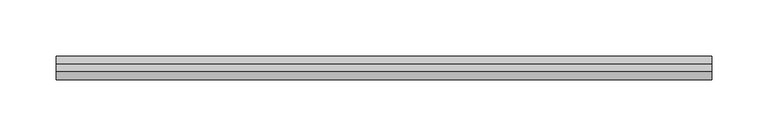
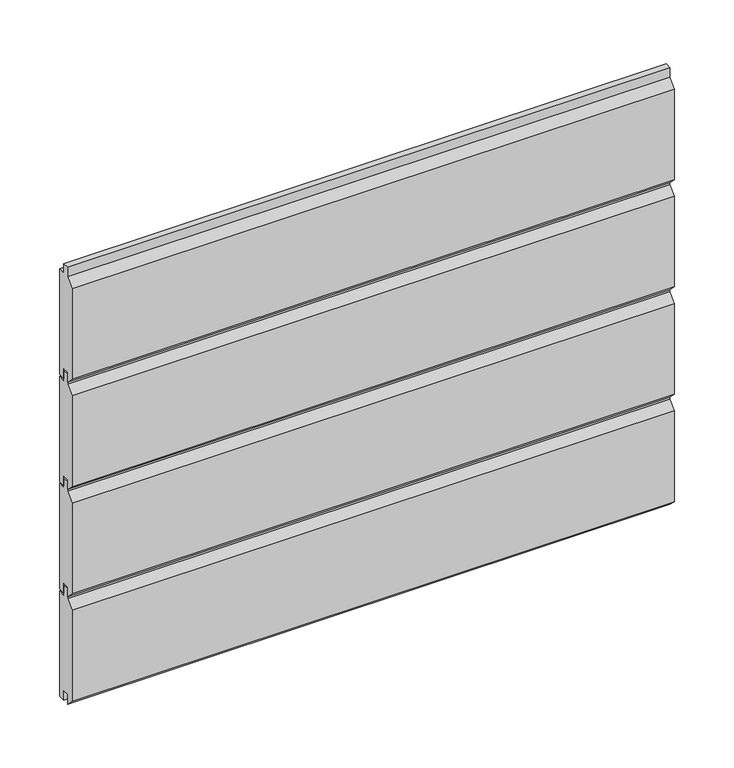
"""IFC4 building model written with IfcOpenShell, lengths in millimetres: plate geometry."""

import ifcopenshell
import ifcopenshell.guid

model = None  # the IFC model being written
_history = None  # IfcOwnerHistory: only IFC2X3 demands one
_inside = {}  # id of a spatial element -> (the spatial element, [elements in it])
_under = {}  # id of a project, library or spatial element -> (it, [spatial elements below it])
_declared = {}  # id of a project -> (the project, [libraries it declares])
_typed = {}  # id of a type object -> (the type object, [elements of that type])
_made_of = {}  # id of a material, layer set ... -> (it, [elements and type objects made of it])


def new_model(schema):
    """Start an empty IFC model of exactly this schema.

    Asked for "IFC4X3", IfcOpenShell would pick the latest addendum, in which some entities
    have other attributes; the version numbers below select the first issue.
    IFC2X3 requires an IfcOwnerHistory on every rooted entity: one is made here for all.
    """
    global model, _history
    if schema == "IFC4X3":
        model = ifcopenshell.file(schema_version=(4, 3, 0, 0))
    else:
        model = ifcopenshell.file(schema=schema)
    _inside.clear()
    _under.clear()
    _declared.clear()
    _typed.clear()
    _made_of.clear()
    _history = None
    if model.schema == "IFC2X3":
        org = make("IfcOrganization", Name="unknown")
        user = make(
            "IfcPersonAndOrganization",
            ThePerson=make("IfcPerson", FamilyName="unknown"),
            TheOrganization=org,
        )
        app = make(
            "IfcApplication",
            ApplicationDeveloper=org,
            Version="unknown",
            ApplicationFullName="unknown",
            ApplicationIdentifier="unknown",
        )
        _history = make(
            "IfcOwnerHistory",
            OwningUser=user,
            OwningApplication=app,
            ChangeAction="ADDED",
            CreationDate=0,
        )
    return model


def make(cls, **values):
    """One entity of the class cls with the attributes given. An attribute that is None is left unset."""
    return model.create_entity(
        cls, **{name: value for name, value in values.items() if value is not None}
    )


def rooted(cls, **values):
    """An entity with a GlobalId (a new one), such as an element, a storey or a relation."""
    return make(cls, GlobalId=ifcopenshell.guid.new(), OwnerHistory=_history, **values)


def si_unit(unit_type, name, prefix=None):
    """IfcSIUnit, for example si_unit("LENGTHUNIT", "METRE", prefix="MILLI")."""
    return make("IfcSIUnit", UnitType=unit_type, Prefix=prefix, Name=name)


def assignment(units):
    """IfcUnitAssignment: the units of a project."""
    return None if units is None else make("IfcUnitAssignment", Units=units)


def point(xyz):
    """IfcCartesianPoint."""
    return None if xyz is None else make("IfcCartesianPoint", Coordinates=xyz)


def direction(xyz):
    """IfcDirection."""
    return None if xyz is None else make("IfcDirection", DirectionRatios=xyz)


def frame(location, z_axis=None, x_axis=None):
    """IfcAxis2Placement3D, a coordinate frame: its origin and axes. An axis left out is left unset."""
    return make(
        "IfcAxis2Placement3D",
        Location=point(location),
        Axis=direction(z_axis),
        RefDirection=direction(x_axis),
    )


def origin():
    """The frame at (0, 0, 0) with its axes left unset."""
    return frame((0.0, 0.0, 0.0))


def place(relative_to, where):
    """IfcLocalPlacement: puts the frame where relative to a parent placement (None: the world)."""
    return make(
        "IfcLocalPlacement", PlacementRelTo=relative_to, RelativePlacement=where
    )


def context(
    kind, dimensions, precision=None, world=None, true_north=None, identifier=None
):
    """IfcGeometricRepresentationContext, for example the 3D "Model" context."""
    return make(
        "IfcGeometricRepresentationContext",
        ContextIdentifier=identifier,
        ContextType=kind,
        CoordinateSpaceDimension=dimensions,
        Precision=precision,
        WorldCoordinateSystem=world,
        TrueNorth=true_north,
    )


def project(units=None, contexts=None):
    """IfcProject with its units and contexts."""
    return rooted(
        "IfcProject",
        Name="project",
        RepresentationContexts=contexts,
        UnitsInContext=assignment(units),
    )


def spatial(cls, under=None, at=None, **own):
    """A site, building, storey or space (cls), placed at a placement, below another one or the project."""
    s = rooted(cls, ObjectPlacement=at, **own)
    if under is not None:
        _under.setdefault(under.id(), (under, []))[1].append(s)
    return s


def polyline(points):
    """IfcPolyline through the points."""
    return make("IfcPolyline", Points=[point(p) for p in points])


def outline(outer, holes=None, kind="AREA"):
    """IfcArbitraryClosedProfileDef: a profile drawn as a closed curve; with holes, ...WithVoids."""
    if holes is None:
        return make("IfcArbitraryClosedProfileDef", ProfileType=kind, OuterCurve=outer)
    return make(
        "IfcArbitraryProfileDefWithVoids",
        ProfileType=kind,
        OuterCurve=outer,
        InnerCurves=holes,
    )


def extrude(swept, where, along, depth):
    """IfcExtrudedAreaSolid: the profile swept, set in the frame where, extruded along a direction by depth."""
    return make(
        "IfcExtrudedAreaSolid",
        SweptArea=swept,
        Position=where,
        ExtrudedDirection=direction(along),
        Depth=depth,
    )


def shape(context_of_items, identifier, shape_type, items):
    """IfcShapeRepresentation: the items that make up one representation, for example the "Body"."""
    return make(
        "IfcShapeRepresentation",
        ContextOfItems=context_of_items,
        RepresentationIdentifier=identifier,
        RepresentationType=shape_type,
        Items=items,
    )


def source(mapping_origin, context_of_items, identifier, shape_type, items):
    """IfcRepresentationMap: a shape defined once, which mapped items show again and again."""
    return make(
        "IfcRepresentationMap",
        MappingOrigin=mapping_origin,
        MappedRepresentation=shape(context_of_items, identifier, shape_type, items),
    )


def transform(
    local_origin,
    x_axis=None,
    y_axis=None,
    z_axis=None,
    scale=None,
    scale2=None,
    scale3=None,
    uniform=True,
):
    """IfcCartesianTransformationOperator3D, or its non-uniform kind. x_axis, y_axis, z_axis: its Axis1, 2, 3."""
    if uniform:
        return make(
            "IfcCartesianTransformationOperator3D",
            Axis1=direction(x_axis),
            Axis2=direction(y_axis),
            LocalOrigin=point(local_origin),
            Scale=scale,
            Axis3=direction(z_axis),
        )
    return make(
        "IfcCartesianTransformationOperator3DnonUniform",
        Axis1=direction(x_axis),
        Axis2=direction(y_axis),
        LocalOrigin=point(local_origin),
        Scale=scale,
        Axis3=direction(z_axis),
        Scale2=scale2,
        Scale3=scale3,
    )


def mapped(mapping_source, mapping_target):
    """IfcMappedItem: shows the shape of a source again, moved by a transform."""
    return make(
        "IfcMappedItem", MappingSource=mapping_source, MappingTarget=mapping_target
    )


def made_of(thing, what):
    """Note that an element or type object is made of a material, layer set ...; save() writes the relation."""
    if what is not None:
        _made_of.setdefault(what.id(), (what, []))[1].append(thing)
    return thing


def element(
    cls,
    number,
    at=None,
    inside=None,
    cuts=None,
    type_object=None,
    material=None,
    context=None,
    identifier="Body",
    shape_type=None,
    held_by="IfcProductDefinitionShape",
    body=None,
    shapes=None,
    **own,
):
    """One element of the class cls, such as IfcWall. Its Tag is "e" and its number.

    at: its placement. inside: the storey or other place that contains it. cuts: it is an
    opening in that element (IfcRelVoidsElement). A single representation is given by context,
    identifier, shape_type and body (its items); several are given by shapes. held_by: the class
    of the entity that holds the representations. save() writes the other relations.
    """
    e = rooted(cls, Tag="e%d" % number, ObjectPlacement=at, **own)
    if body is not None:
        shapes = [shape(context, identifier, shape_type, body)]
    if shapes is not None:
        e.Representation = make(held_by, Representations=shapes)
    if inside is not None:
        _inside.setdefault(inside.id(), (inside, []))[1].append(e)
    if cuts is not None:
        rooted(
            "IfcRelVoidsElement", RelatingBuildingElement=cuts, RelatedOpeningElement=e
        )
    if type_object is not None:
        _typed.setdefault(type_object.id(), (type_object, []))[1].append(e)
    return made_of(e, material)


def aggregate(whole, parts):
    """IfcRelAggregates: a whole, such as a stair, and the parts it consists of."""
    return rooted("IfcRelAggregates", RelatingObject=whole, RelatedObjects=parts)


def save(model, path):
    """Write the relations noted so far, then the file.

    IfcRelAggregates (storeys below a building ...), IfcRelContainedInSpatialStructure (elements
    in a storey), IfcRelDefinesByType, IfcRelAssociatesMaterial and IfcRelDeclares: one each for
    every whole, place, type object, material and project.
    """
    for whole, parts in _under.values():
        aggregate(whole, parts)
    for where, things in _inside.values():
        rooted(
            "IfcRelContainedInSpatialStructure",
            RelatedElements=things,
            RelatingStructure=where,
        )
    for kind, things in _typed.values():
        rooted("IfcRelDefinesByType", RelatedObjects=things, RelatingType=kind)
    for what, things in _made_of.values():
        rooted("IfcRelAssociatesMaterial", RelatedObjects=things, RelatingMaterial=what)
    for by, libraries in _declared.values():
        rooted("IfcRelDeclares", RelatingContext=by, RelatedDefinitions=libraries)
    model.write(path)


def plate_19c19be4(model_context):
    return source(origin(), model_context, "Body", "SweptSolid", [
        extrude(outline(polyline([(0.0, 330.0), (-7.5, 330.0), (-7.5, 340.0), (-13.5, 340.0), (-13.5, 330.0), (-21.0, 337.5), (-21.0, 430.5), (-13.5, 438.0), (-13.5, 448.0), (-7.5, 448.0), (-7.5, 438.0), (0.0, 438.0), (0.0, 330.0)])), frame((-292.3500001, 0.0, 0.0), z_axis=(1.0, 0.0, 0.0), x_axis=(0.0, 1.0, 0.0)), (0.0, 0.0, 1.0), 584.7000002),
        extrude(outline(polyline([(0.0, 220.0), (-7.5, 220.0), (-7.5, 230.0), (-13.5, 230.0), (-13.5, 220.0), (-21.0, 227.5), (-21.0, 320.5), (-13.5, 328.0), (-13.5, 338.0), (-7.5, 338.0), (-7.5, 328.0), (0.0, 328.0), (0.0, 220.0)])), frame((-292.3500001, 0.0, 0.0), z_axis=(1.0, 0.0, 0.0), x_axis=(0.0, 1.0, 0.0)), (0.0, 0.0, 1.0), 584.7000002),
        extrude(outline(polyline([(0.0, 110.0), (-7.5, 110.0), (-7.5, 120.0), (-13.5, 120.0), (-13.5, 110.0), (-21.0, 117.5), (-21.0, 210.5), (-13.5, 218.0), (-13.5, 228.0), (-7.5, 228.0), (-7.5, 218.0), (0.0, 218.0), (0.0, 110.0)])), frame((-292.3500001, 0.0, 0.0), z_axis=(1.0, 0.0, 0.0), x_axis=(0.0, 1.0, 0.0)), (0.0, 0.0, 1.0), 584.7000002),
        extrude(outline(polyline([(0.0, 0.0), (-7.5, 0.0), (-7.5, 10.0), (-13.5, 10.0), (-13.5, 0.0), (-21.0, 7.5), (-21.0, 100.5), (-13.5, 108.0), (-13.5, 118.0), (-7.5, 118.0), (-7.5, 108.0), (0.0, 108.0), (0.0, 0.0)])), frame((-292.3500001, 0.0, 0.0), z_axis=(1.0, 0.0, 0.0), x_axis=(0.0, 1.0, 0.0)), (0.0, 0.0, 1.0), 584.7000002),
    ])


if __name__ == "__main__":
    model = new_model("IFC4")
    model_context = context("Model", 3, world=origin())
    ifc_project = project(units=[si_unit("LENGTHUNIT", "METRE", prefix="MILLI")], contexts=[model_context])
    site = spatial("IfcSite", under=ifc_project)
    building = spatial("IfcBuilding", under=site)
    placement = place(None, origin())
    plate_shape = plate_19c19be4(model_context)
    element("IfcPlate", 1, at=placement, inside=building, context=model_context, shape_type="MappedRepresentation", body=[
        mapped(plate_shape, transform((0.0, 0.0, 0.0), x_axis=(1.0, 0.0, 0.0), y_axis=(0.0, 1.0, 0.0), z_axis=(0.0, 0.0, 1.0))),
    ])
    save(model, "model.ifc")
